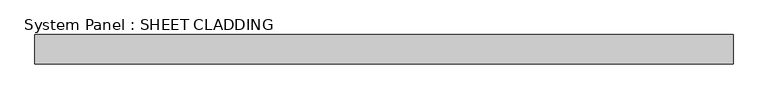
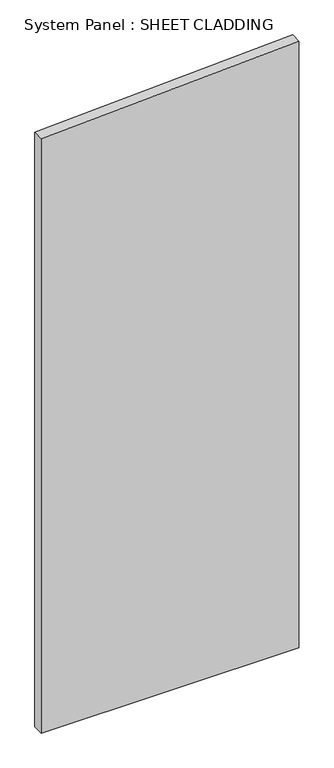
"""IFC4 building model written with IfcOpenShell, lengths in millimetres: plate geometry, System Panel : SHEET CLADDING."""

from ifc_helpers import new_model, si_unit, frame, origin, place, context, project, spatial, polyline, outline, extrude, source, transform, mapped, element, save


def system_panel_sheet_cladding_53797415(model_context):
    return source(origin(), model_context, "Body", "SweptSolid", [
        extrude(outline(polyline([(0.0, -718.75), (0.0, 718.75), (3575.725, 718.75), (3503.85, -718.75), (0.0, -718.75)])), frame((0.0, -49.5, 0.0), z_axis=(0.0, 1.0, 0.0), x_axis=(0.0, 0.0, 1.0)), (0.0, 0.0, 1.0), 60.0),
    ])


if __name__ == "__main__":
    model = new_model("IFC4")
    model_context = context("Model", 3, world=origin())
    ifc_project = project(units=[si_unit("LENGTHUNIT", "METRE", prefix="MILLI")], contexts=[model_context])
    site = spatial("IfcSite", under=ifc_project)
    building = spatial("IfcBuilding", under=site)
    placement = place(None, origin())
    system_panel_sheet_cladding_shape = system_panel_sheet_cladding_53797415(model_context)
    element("IfcPlate", 1, ObjectType="System Panel : SHEET CLADDING", at=placement, inside=building, context=model_context, shape_type="MappedRepresentation", body=[
        mapped(system_panel_sheet_cladding_shape, transform((0.0, 0.0, 0.0), x_axis=(1.0, 0.0, 0.0), y_axis=(0.0, 1.0, 0.0), z_axis=(0.0, 0.0, 1.0))),
    ])
    save(model, "model.ifc")
